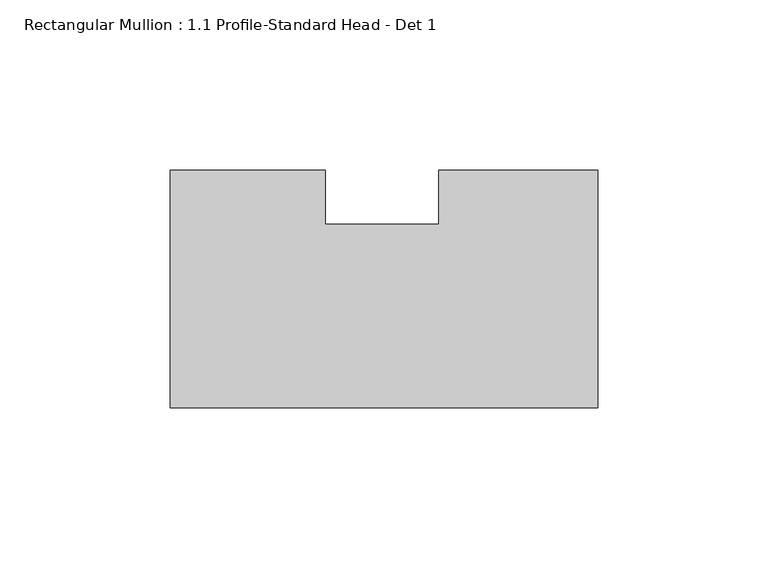
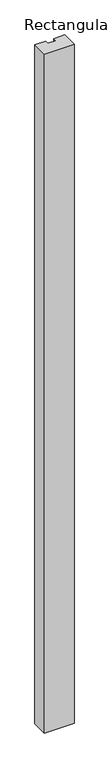
"""IFC4 building model written with IfcOpenShell, lengths in millimetres: member geometry, Rectangular Mullion : 1.1 Profile-Standard Head - Det 1."""

from ifc_helpers import new_model, si_unit, frame, origin, place, context, project, spatial, polyline, outline, extrude, source, transform, mapped, element, save


def rectangular_mullion_1_1_profile_standard_head_det_1_92cb6145(model_context):
    return source(origin(), model_context, "Body", "SweptSolid", [
        extrude(outline(polyline([(-80.20749, 34.925), (-80.20749, 19.05), (-46.8158937, 19.05), (-46.8158937, 34.925), (0.0, 34.925), (0.0, -34.925), (-125.7808, -34.925), (-125.7808, 34.925), (-80.20749, 34.925)])), frame((0.0, 0.0, -3048.0), z_axis=(0.0, 0.0, 1.0), x_axis=(1.0, 0.0, 0.0)), (0.0, 0.0, 1.0), 3048.0),
    ])


if __name__ == "__main__":
    model = new_model("IFC4")
    model_context = context("Model", 3, world=origin())
    ifc_project = project(units=[si_unit("LENGTHUNIT", "METRE", prefix="MILLI")], contexts=[model_context])
    site = spatial("IfcSite", under=ifc_project)
    building = spatial("IfcBuilding", under=site)
    placement = place(None, origin())
    rectangular_mullion_1_1_profile_standard_head_det_1_shape = rectangular_mullion_1_1_profile_standard_head_det_1_92cb6145(model_context)
    element("IfcMember", 1, ObjectType="Rectangular Mullion : 1.1 Profile-Standard Head - Det 1", at=placement, inside=building, context=model_context, shape_type="MappedRepresentation", body=[
        mapped(rectangular_mullion_1_1_profile_standard_head_det_1_shape, transform((0.0, 0.0, 0.0), x_axis=(1.0, 0.0, 0.0), y_axis=(0.0, 1.0, 0.0), z_axis=(0.0, 0.0, 1.0))),
    ])
    save(model, "model.ifc")
